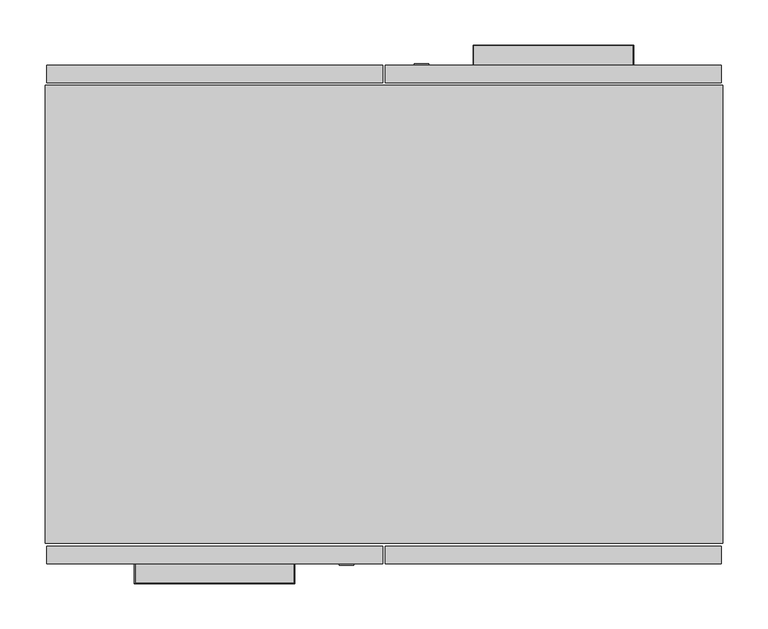
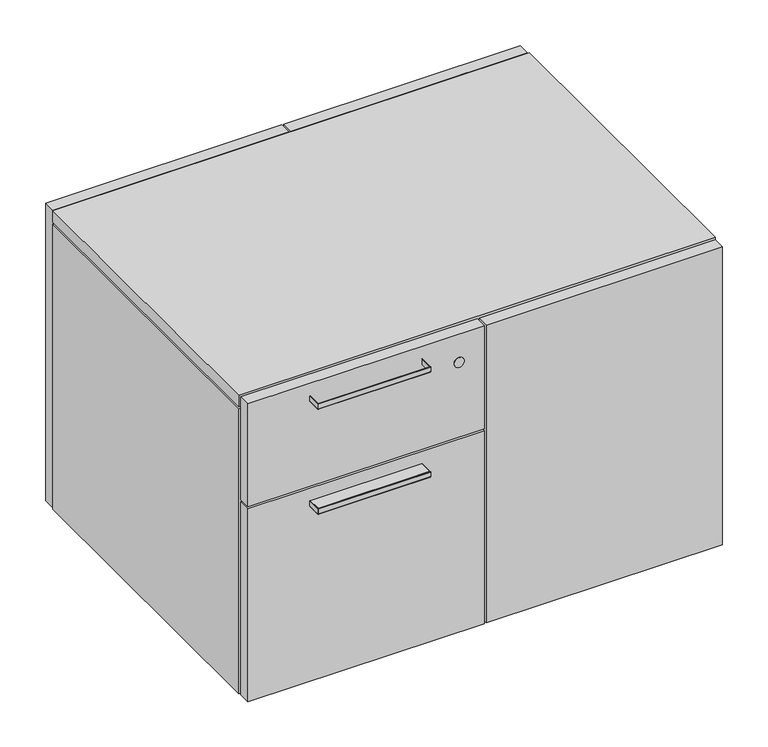
"""IFC4 building model written with IfcOpenShell, lengths in millimetres: furniture geometry."""

from ifc_helpers import new_model, si_unit, point, frame, frame_2d, origin, place, context, project, spatial, polyline, circle_curve, ellipse_curve, trimmed, segment, composite_curve, outline, extrude, source, transform, mapped, element, save
from ifc_brep_helpers import plane_surface, cylinder_surface, revolved_surface, advanced_brep


def furniture_8c9299d9(model_context):
    return source(origin(), model_context, "Body", "SolidModel", [
        advanced_brep(
        [(99.7740482, -276.4790179, 527.0591625), (99.0120671, -276.4790179, 527.8211254), (99.0120671, -276.4790179, 535.8169014), (99.7740482, -276.4790179, 536.578937), (99.7740482, -297.9420247, 527.0591625), (99.0120671, -298.7040058, 527.8211254), (99.0120671, -298.7040058, 535.8169014), (99.7740482, -297.9420247, 536.578937), (276.1372866, -297.9420247, 527.0591625), (276.8992677, -298.7040058, 527.8211254), (276.8992677, -298.7040058, 535.8169014), (276.1372866, -297.9420247, 536.578937), (276.1372866, -276.4790179, 527.0591625), (276.1372866, -276.4790179, 536.578937), (276.8992677, -276.4790179, 535.8169014), (276.8992677, -276.4790179, 527.8211254)],
        [
            (0, 1, circle_curve(frame((99.7740301, -276.4790179, 527.8211254), z_axis=(0.0, 1.0, 0.0), x_axis=(1.0, 0.0, 0.0)), 0.7619629)),
            (1, 2),
            (2, 3, circle_curve(frame((99.7741027, -276.4790179, 535.8169014), z_axis=(0.0, 1.0, 0.0), x_axis=(1.0, 0.0, 0.0)), 0.7620356)),
            (3, 0),
            (0, 4),
            (4, 5, ellipse_curve(frame((99.7740301, -297.9420429, 527.8211254), z_axis=(-0.707106781186548, 0.7071067811865469, 0.0), x_axis=(0.7071067811865468, 0.7071067811865481, 0.0)), 1.0775783, 0.7619629)),
            (5, 1),
            (5, 6),
            (6, 2),
            (6, 7, ellipse_curve(frame((99.7741027, -297.9419702, 535.8169014), z_axis=(-0.707106781186548, 0.7071067811865469, 0.0), x_axis=(0.7071067811865468, 0.7071067811865481, 0.0)), 1.0776811, 0.7620356)),
            (7, 3),
            (7, 4),
            (4, 8),
            (8, 9, ellipse_curve(frame((276.1373048, -297.9420429, 527.8211254), z_axis=(-0.7071067811865469, -0.7071067811865481, 0.0), x_axis=(-0.7071067811865481, 0.7071067811865469, 0.0)), 1.0775783, 0.7619629)),
            (9, 5),
            (9, 10),
            (10, 6),
            (10, 11, ellipse_curve(frame((276.1372321, -297.9419702, 535.8169014), z_axis=(-0.7071067811865469, -0.7071067811865481, 0.0), x_axis=(-0.7071067811865481, 0.7071067811865469, 0.0)), 1.0776811, 0.7620356)),
            (11, 7),
            (11, 8),
            (12, 13),
            (13, 14, circle_curve(frame((276.1372321, -276.4790179, 535.8169014), z_axis=(0.0, 1.0, 0.0), x_axis=(-1.0, 0.0, 0.0)), 0.7620356)),
            (14, 15),
            (15, 12, circle_curve(frame((276.1373048, -276.4790179, 527.8211254), z_axis=(0.0, 1.0, 0.0), x_axis=(-1.0, 0.0, 0.0)), 0.7619629)),
            (8, 12),
            (15, 9),
            (14, 10),
            (13, 11),
        ],
        [
            plane_surface(frame((99.3096702, -276.4790179, 531.8216806), z_axis=(0.0, 1.0, 0.0), x_axis=(0.0, 0.0, 1.0))),
            cylinder_surface(frame((99.7740301, -276.4790179, 527.8211254), z_axis=(0.0, 1.0, 0.0), x_axis=(1.0, 0.0, 0.0)), 0.7619629),
            plane_surface(frame((99.0120671, -276.4790179, 527.8211254), z_axis=(-1.0, 0.0, 0.0), x_axis=(0.0, -1.0, 0.0))),
            cylinder_surface(frame((99.7741027, -276.4790179, 535.8169014), z_axis=(0.0, 1.0, 0.0), x_axis=(1.0, 0.0, 0.0)), 0.7620356),
            plane_surface(frame((99.7740482, -276.4790179, 536.578937), z_axis=(1.0, 0.0, 0.0), x_axis=(0.0, -1.0, 0.0))),
            cylinder_surface(frame((99.3096702, -297.9420429, 527.8211254), z_axis=(-1.0, 0.0, 0.0), x_axis=(0.0, 1.0, 0.0)), 0.7619629),
            plane_surface(frame((99.0120671, -298.7040058, 527.8211254), z_axis=(0.0, -1.0, 0.0), x_axis=(1.0, 0.0, 0.0))),
            cylinder_surface(frame((99.3096702, -297.9419702, 535.8169014), z_axis=(-1.0, 0.0, 0.0), x_axis=(0.0, 1.0, 0.0)), 0.7620356),
            plane_surface(frame((99.7740482, -297.9420247, 536.578937), z_axis=(0.0, 1.0, 0.0), x_axis=(1.0, 0.0, 0.0))),
            plane_surface(frame((276.6016647, -276.4790179, 531.8216806), z_axis=(0.0, 1.0, 0.0), x_axis=(0.0, 0.0, 1.0))),
            cylinder_surface(frame((276.1373048, -298.4064027, 527.8211254), z_axis=(0.0, -1.0, 0.0), x_axis=(-1.0, 0.0, 0.0)), 0.7619629),
            plane_surface(frame((276.8992677, -298.7040058, 527.8211254), z_axis=(1.0, 0.0, 0.0), x_axis=(0.0, 1.0, 0.0))),
            cylinder_surface(frame((276.1372321, -298.4064027, 535.8169014), z_axis=(0.0, -1.0, 0.0), x_axis=(-1.0, 0.0, 0.0)), 0.7620356),
            plane_surface(frame((276.1372866, -297.9420247, 536.578937), z_axis=(-1.0, 0.0, 0.0), x_axis=(0.0, 1.0, 0.0))),
        ],
        [
            (0, [[1, 2, 3, 4]]),
            (1, [[-1, 5, 6, 7]]),
            (2, [[-2, -7, 8, 9]]),
            (3, [[-3, -9, 10, 11]]),
            (4, [[-4, -11, 12, -5]]),
            (5, [[-6, 13, 14, 15]]),
            (6, [[-8, -15, 16, 17]]),
            (7, [[-10, -17, 18, 19]]),
            (8, [[-12, -19, 20, -13]]),
            (9, [[21, 22, 23, 24]]),
            (10, [[-14, 25, -24, 26]]),
            (11, [[-16, -26, -23, 27]]),
            (12, [[-18, -27, -22, 28]]),
            (13, [[-20, -28, -21, -25]]),
        ],
    ),
        advanced_brep(
        [(475.6975188, 276.4790179, 351.9491933), (475.6975188, 297.9420247, 351.9491933), (652.0607572, 297.9420247, 351.9491933), (652.0607572, 276.4790179, 351.9491933), (622.3653588, 276.4790179, 351.9491933), (622.3721802, 292.3939808, 351.9491933), (505.3895065, 292.3939808, 351.9491933), (505.3929172, 276.4790179, 351.9491933), (652.0607572, 276.4790179, 361.4741933), (652.0607572, 297.9420247, 361.4741933), (475.6975188, 297.9420247, 361.4741933), (475.6975188, 276.4790179, 361.4741933), (506.1848711, 276.4790179, 352.6599867), (512.4949425, 276.4790179, 358.2991654), (615.2633335, 276.4790179, 358.2991654), (621.5734049, 276.4790179, 352.6599867), (512.4949425, 292.3939808, 358.2991654), (506.1848711, 292.3939808, 352.6599867), (621.5734049, 292.3939808, 352.6599867), (615.2633335, 292.3939808, 358.2991654)],
        [
            (0, 1),
            (1, 2),
            (2, 3),
            (3, 4),
            (4, 5),
            (5, 6),
            (6, 7),
            (7, 0),
            (8, 9),
            (9, 10),
            (10, 11),
            (11, 8),
            (11, 0),
            (7, 12, circle_curve(frame((505.3895065, 276.4790179, 352.7495809), z_axis=(0.0, -1.0, 0.0), x_axis=(0.0, 0.0, -1.0)), 0.8003949)),
            (12, 13, circle_curve(frame((512.4949425, 276.4790179, 351.949186), z_axis=(0.0, 1.0, 0.0), x_axis=(0.0, 0.0, -1.0)), 6.3499794)),
            (13, 14),
            (14, 15, circle_curve(frame((615.2633335, 276.4790179, 351.949186), z_axis=(0.0, 1.0, 0.0), x_axis=(0.0, 0.0, -1.0)), 6.3499794)),
            (15, 4, circle_curve(frame((622.3687695, 276.4790179, 352.7495809), z_axis=(0.0, -1.0, 0.0), x_axis=(0.0, 0.0, -1.0)), 0.8003949)),
            (3, 8),
            (10, 1),
            (9, 2),
            (16, 17, circle_curve(frame((512.4949425, 292.3939808, 351.949186), z_axis=(0.0, -1.0, 0.0), x_axis=(0.0, 0.0, -1.0)), 6.3499794)),
            (17, 6, circle_curve(frame((505.3895065, 292.3939808, 352.7495809), z_axis=(0.0, 1.0, 0.0), x_axis=(0.0, 0.0, -1.0)), 0.8003949)),
            (5, 18, circle_curve(frame((622.3687695, 292.3939808, 352.7495809), z_axis=(0.0, 1.0, 0.0), x_axis=(0.0, 0.0, -1.0)), 0.8003949)),
            (18, 19, circle_curve(frame((615.2633335, 292.3939808, 351.949186), z_axis=(0.0, -1.0, 0.0), x_axis=(0.0, 0.0, -1.0)), 6.3499794)),
            (19, 16),
            (16, 13),
            (12, 17),
            (15, 18),
            (14, 19),
        ],
        [
            plane_surface(frame((367.4291321, 276.4790179, 351.9491933), z_axis=(0.0, 0.0, -1.0), x_axis=(-1.0, 0.0, 0.0))),
            plane_surface(frame((367.4291321, 276.4790179, 361.4741933), z_axis=(0.0, 0.0, 1.0), x_axis=(1.0, 0.0, 0.0))),
            plane_surface(frame((652.0607572, 276.4790179, 351.9491933), z_axis=(0.0, -1.0, 0.0), x_axis=(0.0, 0.0, 1.0))),
            plane_surface(frame((475.6975188, 276.4790179, 351.9491933), z_axis=(-1.0, 0.0, 0.0), x_axis=(0.0, 0.0, 1.0))),
            plane_surface(frame((475.6975188, 297.9420247, 351.9491933), z_axis=(0.0, 1.0, 0.0), x_axis=(0.0, 0.0, 1.0))),
            plane_surface(frame((652.0607572, 297.9420247, 351.9491933), z_axis=(1.0, 0.0, 0.0), x_axis=(0.0, 0.0, 1.0))),
            plane_surface(frame((563.879138, 292.3939808, 356.7116933), z_axis=(0.0, -1.0, 0.0), x_axis=(-1.0, 0.0, 0.0))),
            revolved_surface(polyline([(512.4949425, 276.4790179, 345.5992066), (512.4949425, 292.3939808, 345.5992066)]), (512.4949425, 276.4790179, 351.949186), (0.0, -1.0, 0.0)),
            cylinder_surface(frame((505.3895065, 276.4790179, 352.7495809), z_axis=(0.0, 1.0, 0.0), x_axis=(0.0, 0.0, -1.0)), 0.8003949),
            cylinder_surface(frame((622.3687695, 276.4790179, 352.7495809), z_axis=(0.0, 1.0, 0.0), x_axis=(0.0, 0.0, -1.0)), 0.8003949),
            revolved_surface(polyline([(615.2633335, 276.4790179, 345.5992066), (615.2633335, 292.3939808, 345.5992066)]), (615.2633335, 276.4790179, 351.949186), (0.0, -1.0, 0.0)),
            plane_surface(frame((615.2633335, 276.4790179, 358.2991654), z_axis=(0.0, 0.0, -1.0), x_axis=(0.0, 1.0, 0.0))),
        ],
        [
            (0, [[1, 2, 3, 4, 5, 6, 7, 8]]),
            (1, [[9, 10, 11, 12]]),
            (2, [[-12, 13, -8, 14, 15, 16, 17, 18, -4, 19]]),
            (3, [[-1, -13, -11, 20]]),
            (4, [[-2, -20, -10, 21]]),
            (5, [[-3, -21, -9, -19]]),
            (6, [[22, 23, -6, 24, 25, 26]]),
            (7, [[-22, 27, -15, 28]]),
            (8, [[-23, -28, -14, -7]]),
            (9, [[-24, -5, -18, 29]]),
            (10, [[-25, -29, -17, 30]]),
            (11, [[-26, -30, -16, -27]]),
        ],
    ),
        advanced_brep(
        [(652.0607572, 276.4790179, 351.9491751), (652.8227383, 276.4790179, 352.7111381), (652.8227383, 276.4790179, 360.706914), (652.0607572, 276.4790179, 361.4689496), (652.0607572, 297.9420247, 351.9491751), (652.8227383, 298.7040058, 352.7111381), (652.8227383, 298.7040058, 360.706914), (652.0607572, 297.9420247, 361.4689496), (475.6975188, 297.9420247, 351.9491751), (474.9355377, 298.7040058, 352.7111381), (474.9355377, 298.7040058, 360.706914), (475.6975188, 297.9420247, 361.4689496), (475.6975188, 276.4790179, 351.9491751), (475.6975188, 276.4790179, 361.4689496), (474.9355377, 276.4790179, 360.706914), (474.9355377, 276.4790179, 352.7111381)],
        [
            (0, 1, circle_curve(frame((652.0607754, 276.4790179, 352.7111381), z_axis=(0.0, -1.0, 0.0), x_axis=(-1.0, 0.0, 0.0)), 0.7619629)),
            (1, 2),
            (2, 3, circle_curve(frame((652.0607027, 276.4790179, 360.706914), z_axis=(0.0, -1.0, 0.0), x_axis=(-1.0, 0.0, 0.0)), 0.7620356)),
            (3, 0),
            (0, 4),
            (4, 5, ellipse_curve(frame((652.0607754, 297.9420429, 352.7111381), z_axis=(0.7071067811865503, -0.7071067811865448, 0.0), x_axis=(-0.7071067811865448, -0.7071067811865501, 0.0)), 1.0775783, 0.7619629)),
            (5, 1),
            (5, 6),
            (6, 2),
            (6, 7, ellipse_curve(frame((652.0607027, 297.9419702, 360.706914), z_axis=(0.7071067811865503, -0.7071067811865448, 0.0), x_axis=(-0.7071067811865448, -0.7071067811865501, 0.0)), 1.0776811, 0.7620356)),
            (7, 3),
            (7, 4),
            (4, 8),
            (8, 9, ellipse_curve(frame((475.6975006, 297.9420429, 352.7111381), z_axis=(0.7071067811865446, 0.7071067811865503, 0.0), x_axis=(0.7071067811865506, -0.7071067811865446, 0.0)), 1.0775783, 0.7619629)),
            (9, 5),
            (9, 10),
            (10, 6),
            (10, 11, ellipse_curve(frame((475.6975733, 297.9419702, 360.706914), z_axis=(0.7071067811865446, 0.7071067811865503, 0.0), x_axis=(0.7071067811865506, -0.7071067811865446, 0.0)), 1.0776811, 0.7620356)),
            (11, 7),
            (11, 8),
            (12, 13),
            (13, 14, circle_curve(frame((475.6975733, 276.4790179, 360.706914), z_axis=(0.0, -1.0, 0.0), x_axis=(1.0, 0.0, 0.0)), 0.7620356)),
            (14, 15),
            (15, 12, circle_curve(frame((475.6975006, 276.4790179, 352.7111381), z_axis=(0.0, -1.0, 0.0), x_axis=(1.0, 0.0, 0.0)), 0.7619629)),
            (8, 12),
            (15, 9),
            (14, 10),
            (13, 11),
        ],
        [
            plane_surface(frame((652.5251352, 276.4790179, 356.7116933), z_axis=(0.0, -1.0, 0.0), x_axis=(0.0, 0.0, 1.0))),
            cylinder_surface(frame((652.0607754, 276.4790179, 352.7111381), z_axis=(0.0, -1.0, 0.0), x_axis=(-1.0, 0.0, 0.0)), 0.7619629),
            plane_surface(frame((652.8227383, 276.4790179, 352.7111381), z_axis=(1.0, 0.0, 0.0), x_axis=(0.0, 1.0, 0.0))),
            cylinder_surface(frame((652.0607027, 276.4790179, 360.706914), z_axis=(0.0, -1.0, 0.0), x_axis=(-1.0, 0.0, 0.0)), 0.7620356),
            plane_surface(frame((652.0607572, 276.4790179, 361.4689496), z_axis=(-1.0, 0.0, 0.0), x_axis=(0.0, 1.0, 0.0))),
            cylinder_surface(frame((652.5251352, 297.9420429, 352.7111381), z_axis=(1.0, 0.0, 0.0), x_axis=(0.0, -1.0, 0.0)), 0.7619629),
            plane_surface(frame((652.8227383, 298.7040058, 352.7111381), z_axis=(0.0, 1.0, 0.0), x_axis=(-1.0, 0.0, 0.0))),
            cylinder_surface(frame((652.5251352, 297.9419702, 360.706914), z_axis=(1.0, 0.0, 0.0), x_axis=(0.0, -1.0, 0.0)), 0.7620356),
            plane_surface(frame((652.0607572, 297.9420247, 361.4689496), z_axis=(0.0, -1.0, 0.0), x_axis=(-1.0, 0.0, 0.0))),
            plane_surface(frame((475.2331408, 276.4790179, 356.7116933), z_axis=(0.0, -1.0, 0.0), x_axis=(0.0, 0.0, 1.0))),
            cylinder_surface(frame((475.6975006, 298.4064027, 352.7111381), z_axis=(0.0, 1.0, 0.0), x_axis=(1.0, 0.0, 0.0)), 0.7619629),
            plane_surface(frame((474.9355377, 298.7040058, 352.7111381), z_axis=(-1.0, 0.0, 0.0), x_axis=(0.0, -1.0, 0.0))),
            cylinder_surface(frame((475.6975733, 298.4064027, 360.706914), z_axis=(0.0, 1.0, 0.0), x_axis=(1.0, 0.0, 0.0)), 0.7620356),
            plane_surface(frame((475.6975188, 297.9420247, 361.4689496), z_axis=(1.0, 0.0, 0.0), x_axis=(0.0, -1.0, 0.0))),
        ],
        [
            (0, [[1, 2, 3, 4]]),
            (1, [[-1, 5, 6, 7]]),
            (2, [[-2, -7, 8, 9]]),
            (3, [[-3, -9, 10, 11]]),
            (4, [[-4, -11, 12, -5]]),
            (5, [[-6, 13, 14, 15]]),
            (6, [[-8, -15, 16, 17]]),
            (7, [[-10, -17, 18, 19]]),
            (8, [[-12, -19, 20, -13]]),
            (9, [[21, 22, 23, 24]]),
            (10, [[-14, 25, -24, 26]]),
            (11, [[-16, -26, -23, 27]]),
            (12, [[-18, -27, -22, 28]]),
            (13, [[-20, -28, -21, -25]]),
        ],
    ),
        advanced_brep(
        [(276.1372866, -276.4790179, 351.9491933), (276.1372866, -297.9420247, 351.9491933), (99.7740482, -297.9420247, 351.9491933), (99.7740482, -276.4790179, 351.9491933), (129.4694466, -276.4790179, 351.9491933), (129.4626252, -292.3939808, 351.9491933), (246.4452989, -292.3939808, 351.9491933), (246.4418882, -276.4790179, 351.9491933), (99.7740482, -276.4790179, 361.4741933), (99.7740482, -297.9420247, 361.4741933), (276.1372866, -297.9420247, 361.4741933), (276.1372866, -276.4790179, 361.4741933), (245.6499343, -276.4790179, 352.6599867), (239.3398629, -276.4790179, 358.2991654), (136.5714719, -276.4790179, 358.2991654), (130.2614005, -276.4790179, 352.6599867), (239.3398629, -292.3939808, 358.2991654), (245.6499343, -292.3939808, 352.6599867), (130.2614005, -292.3939808, 352.6599867), (136.5714719, -292.3939808, 358.2991654)],
        [
            (0, 1),
            (1, 2),
            (2, 3),
            (3, 4),
            (4, 5),
            (5, 6),
            (6, 7),
            (7, 0),
            (8, 9),
            (9, 10),
            (10, 11),
            (11, 8),
            (11, 0),
            (7, 12, circle_curve(frame((246.4452989, -276.4790179, 352.7495809), z_axis=(0.0, 1.0, 0.0), x_axis=(0.0, 0.0, -1.0)), 0.8003949)),
            (12, 13, circle_curve(frame((239.3398629, -276.4790179, 351.949186), z_axis=(0.0, -1.0, 0.0), x_axis=(0.0, 0.0, -1.0)), 6.3499794)),
            (13, 14),
            (14, 15, circle_curve(frame((136.5714719, -276.4790179, 351.949186), z_axis=(0.0, -1.0, 0.0), x_axis=(0.0, 0.0, -1.0)), 6.3499794)),
            (15, 4, circle_curve(frame((129.4660359, -276.4790179, 352.7495809), z_axis=(0.0, 1.0, 0.0), x_axis=(0.0, 0.0, -1.0)), 0.8003949)),
            (3, 8),
            (10, 1),
            (9, 2),
            (16, 17, circle_curve(frame((239.3398629, -292.3939808, 351.949186), z_axis=(0.0, 1.0, 0.0), x_axis=(0.0, 0.0, -1.0)), 6.3499794)),
            (17, 6, circle_curve(frame((246.4452989, -292.3939808, 352.7495809), z_axis=(0.0, -1.0, 0.0), x_axis=(0.0, 0.0, -1.0)), 0.8003949)),
            (5, 18, circle_curve(frame((129.4660359, -292.3939808, 352.7495809), z_axis=(0.0, -1.0, 0.0), x_axis=(0.0, 0.0, -1.0)), 0.8003949)),
            (18, 19, circle_curve(frame((136.5714719, -292.3939808, 351.949186), z_axis=(0.0, 1.0, 0.0), x_axis=(0.0, 0.0, -1.0)), 6.3499794)),
            (19, 16),
            (16, 13),
            (12, 17),
            (15, 18),
            (14, 19),
        ],
        [
            plane_surface(frame((384.4056734, -276.4790179, 351.9491933), z_axis=(0.0, 0.0, -1.0), x_axis=(1.0, 0.0, 0.0))),
            plane_surface(frame((384.4056734, -276.4790179, 361.4741933), z_axis=(0.0, 0.0, 1.0), x_axis=(-1.0, 0.0, 0.0))),
            plane_surface(frame((99.7740482, -276.4790179, 351.9491933), z_axis=(0.0, 1.0, 0.0), x_axis=(0.0, 0.0, 1.0))),
            plane_surface(frame((276.1372866, -276.4790179, 351.9491933), z_axis=(1.0, 0.0, 0.0), x_axis=(0.0, 0.0, 1.0))),
            plane_surface(frame((276.1372866, -297.9420247, 351.9491933), z_axis=(0.0, -1.0, 0.0), x_axis=(0.0, 0.0, 1.0))),
            plane_surface(frame((99.7740482, -297.9420247, 351.9491933), z_axis=(-1.0, 0.0, 0.0), x_axis=(0.0, 0.0, 1.0))),
            plane_surface(frame((187.9556674, -292.3939808, 356.7116933), z_axis=(0.0, 1.0, 0.0), x_axis=(1.0, 0.0, 0.0))),
            revolved_surface(polyline([(239.3398629, -276.4790179, 345.5992066), (239.3398629, -292.3939808, 345.5992066)]), (239.3398629, -276.4790179, 351.949186), (0.0, 1.0, 0.0)),
            cylinder_surface(frame((246.4452989, -276.4790179, 352.7495809), z_axis=(0.0, -1.0, 0.0), x_axis=(0.0, 0.0, -1.0)), 0.8003949),
            cylinder_surface(frame((129.4660359, -276.4790179, 352.7495809), z_axis=(0.0, -1.0, 0.0), x_axis=(0.0, 0.0, -1.0)), 0.8003949),
            revolved_surface(polyline([(136.5714719, -276.4790179, 345.5992066), (136.5714719, -292.3939808, 345.5992066)]), (136.5714719, -276.4790179, 351.949186), (0.0, 1.0, 0.0)),
            plane_surface(frame((136.5714719, -276.4790179, 358.2991654), z_axis=(0.0, 0.0, -1.0), x_axis=(0.0, -1.0, 0.0))),
        ],
        [
            (0, [[1, 2, 3, 4, 5, 6, 7, 8]]),
            (1, [[9, 10, 11, 12]]),
            (2, [[-12, 13, -8, 14, 15, 16, 17, 18, -4, 19]]),
            (3, [[-1, -13, -11, 20]]),
            (4, [[-2, -20, -10, 21]]),
            (5, [[-3, -21, -9, -19]]),
            (6, [[22, 23, -6, 24, 25, 26]]),
            (7, [[-22, 27, -15, 28]]),
            (8, [[-23, -28, -14, -7]]),
            (9, [[-24, -5, -18, 29]]),
            (10, [[-25, -29, -17, 30]]),
            (11, [[-26, -30, -16, -27]]),
        ],
    ),
        advanced_brep(
        [(99.7740482, -276.4790179, 351.9491751), (99.0120671, -276.4790179, 352.7111381), (99.0120671, -276.4790179, 360.706914), (99.7740482, -276.4790179, 361.4689496), (99.7740482, -297.9420247, 351.9491751), (99.0120671, -298.7040058, 352.7111381), (99.0120671, -298.7040058, 360.706914), (99.7740482, -297.9420247, 361.4689496), (276.1372866, -297.9420247, 351.9491751), (276.8992677, -298.7040058, 352.7111381), (276.8992677, -298.7040058, 360.706914), (276.1372866, -297.9420247, 361.4689496), (276.1372866, -276.4790179, 351.9491751), (276.1372866, -276.4790179, 361.4689496), (276.8992677, -276.4790179, 360.706914), (276.8992677, -276.4790179, 352.7111381)],
        [
            (0, 1, circle_curve(frame((99.7740301, -276.4790179, 352.7111381), z_axis=(0.0, 1.0, 0.0), x_axis=(1.0, 0.0, 0.0)), 0.7619629)),
            (1, 2),
            (2, 3, circle_curve(frame((99.7741027, -276.4790179, 360.706914), z_axis=(0.0, 1.0, 0.0), x_axis=(1.0, 0.0, 0.0)), 0.7620356)),
            (3, 0),
            (0, 4),
            (4, 5, ellipse_curve(frame((99.7740301, -297.9420429, 352.7111381), z_axis=(-0.707106781186548, 0.7071067811865469, 0.0), x_axis=(0.7071067811865468, 0.7071067811865481, 0.0)), 1.0775783, 0.7619629)),
            (5, 1),
            (5, 6),
            (6, 2),
            (6, 7, ellipse_curve(frame((99.7741027, -297.9419702, 360.706914), z_axis=(-0.707106781186548, 0.7071067811865469, 0.0), x_axis=(0.7071067811865468, 0.7071067811865481, 0.0)), 1.0776811, 0.7620356)),
            (7, 3),
            (7, 4),
            (4, 8),
            (8, 9, ellipse_curve(frame((276.1373048, -297.9420429, 352.7111381), z_axis=(-0.7071067811865469, -0.7071067811865481, 0.0), x_axis=(-0.7071067811865481, 0.7071067811865469, 0.0)), 1.0775783, 0.7619629)),
            (9, 5),
            (9, 10),
            (10, 6),
            (10, 11, ellipse_curve(frame((276.1372321, -297.9419702, 360.706914), z_axis=(-0.7071067811865469, -0.7071067811865481, 0.0), x_axis=(-0.7071067811865481, 0.7071067811865469, 0.0)), 1.0776811, 0.7620356)),
            (11, 7),
            (11, 8),
            (12, 13),
            (13, 14, circle_curve(frame((276.1372321, -276.4790179, 360.706914), z_axis=(0.0, 1.0, 0.0), x_axis=(-1.0, 0.0, 0.0)), 0.7620356)),
            (14, 15),
            (15, 12, circle_curve(frame((276.1373048, -276.4790179, 352.7111381), z_axis=(0.0, 1.0, 0.0), x_axis=(-1.0, 0.0, 0.0)), 0.7619629)),
            (8, 12),
            (15, 9),
            (14, 10),
            (13, 11),
        ],
        [
            plane_surface(frame((99.3096702, -276.4790179, 356.7116933), z_axis=(0.0, 1.0, 0.0), x_axis=(0.0, 0.0, 1.0))),
            cylinder_surface(frame((99.7740301, -276.4790179, 352.7111381), z_axis=(0.0, 1.0, 0.0), x_axis=(1.0, 0.0, 0.0)), 0.7619629),
            plane_surface(frame((99.0120671, -276.4790179, 352.7111381), z_axis=(-1.0, 0.0, 0.0), x_axis=(0.0, -1.0, 0.0))),
            cylinder_surface(frame((99.7741027, -276.4790179, 360.706914), z_axis=(0.0, 1.0, 0.0), x_axis=(1.0, 0.0, 0.0)), 0.7620356),
            plane_surface(frame((99.7740482, -276.4790179, 361.4689496), z_axis=(1.0, 0.0, 0.0), x_axis=(0.0, -1.0, 0.0))),
            cylinder_surface(frame((99.3096702, -297.9420429, 352.7111381), z_axis=(-1.0, 0.0, 0.0), x_axis=(0.0, 1.0, 0.0)), 0.7619629),
            plane_surface(frame((99.0120671, -298.7040058, 352.7111381), z_axis=(0.0, -1.0, 0.0), x_axis=(1.0, 0.0, 0.0))),
            cylinder_surface(frame((99.3096702, -297.9419702, 360.706914), z_axis=(-1.0, 0.0, 0.0), x_axis=(0.0, 1.0, 0.0)), 0.7620356),
            plane_surface(frame((99.7740482, -297.9420247, 361.4689496), z_axis=(0.0, 1.0, 0.0), x_axis=(1.0, 0.0, 0.0))),
            plane_surface(frame((276.6016647, -276.4790179, 356.7116933), z_axis=(0.0, 1.0, 0.0), x_axis=(0.0, 0.0, 1.0))),
            cylinder_surface(frame((276.1373048, -298.4064027, 352.7111381), z_axis=(0.0, -1.0, 0.0), x_axis=(-1.0, 0.0, 0.0)), 0.7619629),
            plane_surface(frame((276.8992677, -298.7040058, 352.7111381), z_axis=(1.0, 0.0, 0.0), x_axis=(0.0, 1.0, 0.0))),
            cylinder_surface(frame((276.1372321, -298.4064027, 360.706914), z_axis=(0.0, -1.0, 0.0), x_axis=(-1.0, 0.0, 0.0)), 0.7620356),
            plane_surface(frame((276.1372866, -297.9420247, 361.4689496), z_axis=(-1.0, 0.0, 0.0), x_axis=(0.0, 1.0, 0.0))),
        ],
        [
            (0, [[1, 2, 3, 4]]),
            (1, [[-1, 5, 6, 7]]),
            (2, [[-2, -7, 8, 9]]),
            (3, [[-3, -9, 10, 11]]),
            (4, [[-4, -11, 12, -5]]),
            (5, [[-6, 13, 14, 15]]),
            (6, [[-8, -15, 16, 17]]),
            (7, [[-10, -17, 18, 19]]),
            (8, [[-12, -19, 20, -13]]),
            (9, [[21, 22, 23, 24]]),
            (10, [[-14, 25, -24, 26]]),
            (11, [[-16, -26, -23, 27]]),
            (12, [[-18, -27, -22, 28]]),
            (13, [[-20, -28, -21, -25]]),
        ],
    ),
        extrude(outline(polyline([(0.0, -253.9999939), (0.0, 253.9999939), (751.829778, 253.9999939), (751.829778, -253.9999939), (0.0, -253.9999939)])), frame((0.0, 0.0, 539.49901), z_axis=(0.0, 0.0, 1.0), x_axis=(1.0, 0.0, 0.0)), (0.0, 0.0, 1.0), 19.2999847),
        extrude(outline(polyline([(374.31745, 276.4790179), (374.31745, 257.1750363), (1.5775001, 257.1750363), (1.5775001, 276.4790179), (374.31745, 276.4790179)])), frame((0.0, 0.0, 60.198), z_axis=(0.0, 0.0, 1.0), x_axis=(1.0, 0.0, 0.0)), (0.0, 0.0, 1.0), 497.0109755),
        extrude(outline(polyline([(377.512328, 257.1750363), (377.512328, 276.4790179), (750.2522779, 276.4790179), (750.2522779, 257.1750363), (377.512328, 257.1750363)])), frame((0.0, 0.0, 385.2790266), z_axis=(0.0, 0.0, 1.0), x_axis=(1.0, 0.0, 0.0)), (0.0, 0.0, 1.0), 171.9299489),
        extrude(outline(polyline([(377.512328, 257.1750363), (377.512328, 276.4790179), (750.2522779, 276.4790179), (750.2522779, 257.1750363), (377.512328, 257.1750363)])), frame((0.0, 0.0, 60.198), z_axis=(0.0, 0.0, 1.0), x_axis=(1.0, 0.0, 0.0)), (0.0, 0.0, 1.0), 321.9010245),
        extrude(outline(polyline([(377.512328, -276.4790179), (377.512328, -257.1750363), (750.2522779, -257.1750363), (750.2522779, -276.4790179), (377.512328, -276.4790179)])), frame((0.0, 0.0, 60.198), z_axis=(0.0, 0.0, 1.0), x_axis=(1.0, 0.0, 0.0)), (0.0, 0.0, 1.0), 497.0109755),
        extrude(outline(polyline([(374.31745, -257.1750363), (374.31745, -276.4790179), (1.5775001, -276.4790179), (1.5775001, -257.1750363), (374.31745, -257.1750363)])), frame((0.0, 0.0, 385.2790266), z_axis=(0.0, 0.0, 1.0), x_axis=(1.0, 0.0, 0.0)), (0.0, 0.0, 1.0), 171.9299489),
        extrude(outline(polyline([(374.31745, -257.1750363), (374.31745, -276.4790179), (1.5775001, -276.4790179), (1.5775001, -257.1750363), (374.31745, -257.1750363)])), frame((0.0, 0.0, 60.198), z_axis=(0.0, 0.0, 1.0), x_axis=(1.0, 0.0, 0.0)), (0.0, 0.0, 1.0), 321.9010245),
        extrude(outline(composite_curve([segment(trimmed(circle_curve(frame_2d((510.9123828, 417.5099229)), 8.0010015), [point((510.9123828, 425.5109244))], [point((510.9123828, 409.5089214))], False, "CARTESIAN"), True, "CONTINUOUS"), segment(trimmed(circle_curve(frame_2d((510.9123828, 417.5099229)), 8.0010015), [point((510.9123828, 409.5089214))], [point((510.9123828, 425.5109244))], False, "CARTESIAN"), True, "CONTINUOUS")], self_intersect=False)), frame((0.0, 276.4790179, 0.0), z_axis=(0.0, 1.0, 0.0), x_axis=(0.0, 0.0, 1.0)), (0.0, 0.0, 1.0), 1.5874939),
        extrude(outline(composite_curve([segment(trimmed(circle_curve(frame_2d((510.9123828, 334.3198551)), 8.0010015), [point((510.9123828, 342.3208566))], [point((510.9123828, 326.3188537))], False, "CARTESIAN"), True, "CONTINUOUS"), segment(trimmed(circle_curve(frame_2d((510.9123828, 334.3198551)), 8.0010015), [point((510.9123828, 326.3188537))], [point((510.9123828, 342.3208566))], False, "CARTESIAN"), True, "CONTINUOUS")], self_intersect=False)), frame((0.0, -278.0665119, 0.0), z_axis=(0.0, 1.0, 0.0), x_axis=(0.0, 0.0, 1.0)), (0.0, 0.0, 1.0), 1.5874939),
        extrude(outline(polyline([(395.2288965, -253.9999939), (375.914889, -253.9999939), (375.914889, 233.9399902), (395.2288965, 233.9399902), (395.2288965, -253.9999939)])), frame((0.0, 0.0, 79.5790089), z_axis=(0.0, 0.0, 1.0), x_axis=(1.0, 0.0, 0.0)), (0.0, 0.0, 1.0), 456.7450132),
        extrude(outline(polyline([(375.914889, -253.9999939), (356.6109364, -253.9999939), (356.6109364, 233.9399902), (375.914889, 233.9399902), (375.914889, -253.9999939)])), frame((0.0, 0.0, 79.5790089), z_axis=(0.0, 0.0, 1.0), x_axis=(1.0, 0.0, 0.0)), (0.0, 0.0, 1.0), 456.7450132),
        extrude(outline(polyline([(19.3003985, -253.6189852), (19.3003985, 253.6190034), (732.5293795, 253.6190034), (732.5293795, -253.6189852), (19.3003985, -253.6189852)])), frame((0.0, 0.0, 60.198), z_axis=(0.0, 0.0, 1.0), x_axis=(1.0, 0.0, 0.0)), (0.0, 0.0, 1.0), 19.3810089),
        extrude(outline(polyline([(19.3003985, -253.9999939), (0.0, -253.9999939), (0.0, 253.9999939), (19.3003985, 253.9999939), (19.3003985, -253.9999939)])), frame((0.0, 0.0, 60.198), z_axis=(0.0, 0.0, 1.0), x_axis=(1.0, 0.0, 0.0)), (0.0, 0.0, 1.0), 476.1260221),
        extrude(outline(polyline([(732.5293795, -253.9999939), (732.5293795, 253.9999939), (750.2522779, 253.9999939), (750.2522779, -253.9999939), (732.5293795, -253.9999939)])), frame((0.0, 0.0, 60.198), z_axis=(0.0, 0.0, 1.0), x_axis=(1.0, 0.0, 0.0)), (0.0, 0.0, 1.0), 476.1260221),
    ])


if __name__ == "__main__":
    model = new_model("IFC4")
    model_context = context("Model", 3, world=origin())
    ifc_project = project(units=[si_unit("LENGTHUNIT", "METRE", prefix="MILLI")], contexts=[model_context])
    site = spatial("IfcSite", under=ifc_project)
    building = spatial("IfcBuilding", under=site)
    placement = place(None, origin())
    furniture_shape = furniture_8c9299d9(model_context)
    element("IfcFurniture", 1, at=placement, inside=building, context=model_context, shape_type="MappedRepresentation", body=[
        mapped(furniture_shape, transform((0.0, 0.0, 0.0), x_axis=(1.0, 0.0, 0.0), y_axis=(0.0, 1.0, 0.0), z_axis=(0.0, 0.0, 1.0))),
    ])
    save(model, "model.ifc")
